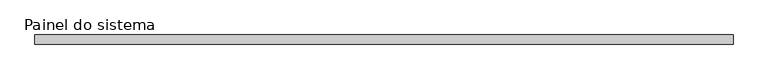
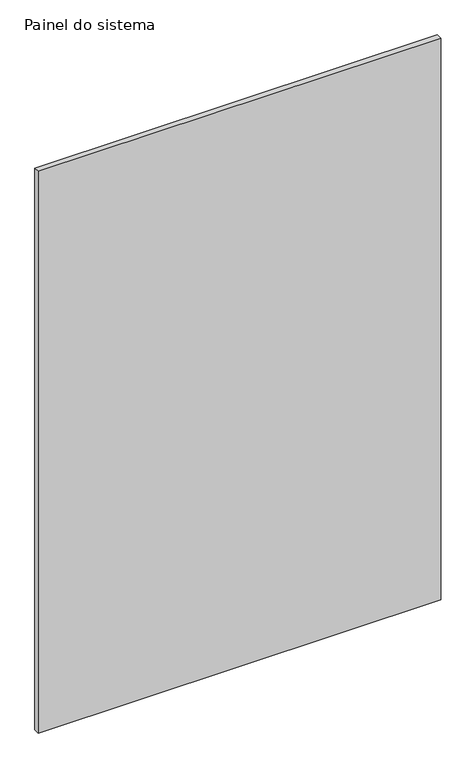
"""IFC4 building model written with IfcOpenShell, lengths in millimetres: plate geometry, Painel do sistema."""

from ifc_helpers import new_model, si_unit, origin, origin_with_axes, place, context, project, spatial, polyline, outline, extrude, source, transform, mapped, element, save


def painel_do_sistema_77a8c0af(model_context):
    return source(origin(), model_context, "Body", "SweptSolid", [
        extrude(outline(polyline([(915.0000002, 24.5), (-915.0000002, 24.5), (-915.0000002, 49.5), (915.0000002, 49.5), (915.0000002, 24.5)])), origin_with_axes(), (0.0, 0.0, 1.0), 2700.0),
    ])


if __name__ == "__main__":
    model = new_model("IFC4")
    model_context = context("Model", 3, world=origin())
    ifc_project = project(units=[si_unit("LENGTHUNIT", "METRE", prefix="MILLI")], contexts=[model_context])
    site = spatial("IfcSite", under=ifc_project)
    building = spatial("IfcBuilding", under=site)
    placement = place(None, origin())
    painel_do_sistema_shape = painel_do_sistema_77a8c0af(model_context)
    element("IfcPlate", 1, ObjectType="Painel do sistema", at=placement, inside=building, context=model_context, shape_type="MappedRepresentation", body=[
        mapped(painel_do_sistema_shape, transform((0.0, 0.0, 0.0), x_axis=(1.0, 0.0, 0.0), y_axis=(0.0, 1.0, 0.0), z_axis=(0.0, 0.0, 1.0))),
    ])
    save(model, "model.ifc")
